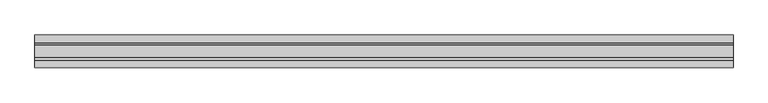
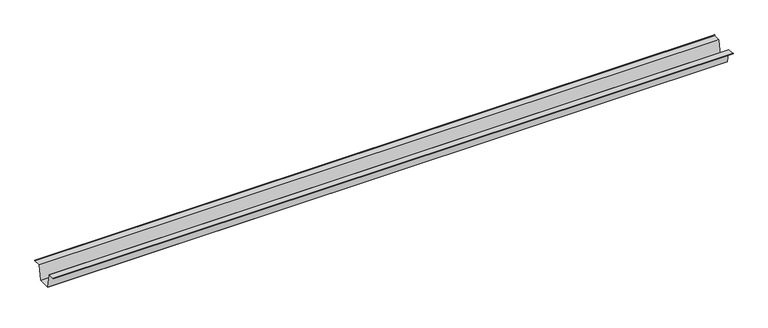
"""IFC4 building model written with IfcOpenShell, lengths in millimetres: furniture geometry."""

import ifcopenshell
import ifcopenshell.guid

model = None  # the IFC model being written
_history = None  # IfcOwnerHistory: only IFC2X3 demands one
_inside = {}  # id of a spatial element -> (the spatial element, [elements in it])
_under = {}  # id of a project, library or spatial element -> (it, [spatial elements below it])
_declared = {}  # id of a project -> (the project, [libraries it declares])
_typed = {}  # id of a type object -> (the type object, [elements of that type])
_made_of = {}  # id of a material, layer set ... -> (it, [elements and type objects made of it])


def new_model(schema):
    """Start an empty IFC model of exactly this schema.

    Asked for "IFC4X3", IfcOpenShell would pick the latest addendum, in which some entities
    have other attributes; the version numbers below select the first issue.
    IFC2X3 requires an IfcOwnerHistory on every rooted entity: one is made here for all.
    """
    global model, _history
    if schema == "IFC4X3":
        model = ifcopenshell.file(schema_version=(4, 3, 0, 0))
    else:
        model = ifcopenshell.file(schema=schema)
    _inside.clear()
    _under.clear()
    _declared.clear()
    _typed.clear()
    _made_of.clear()
    _history = None
    if model.schema == "IFC2X3":
        org = make("IfcOrganization", Name="unknown")
        user = make(
            "IfcPersonAndOrganization",
            ThePerson=make("IfcPerson", FamilyName="unknown"),
            TheOrganization=org,
        )
        app = make(
            "IfcApplication",
            ApplicationDeveloper=org,
            Version="unknown",
            ApplicationFullName="unknown",
            ApplicationIdentifier="unknown",
        )
        _history = make(
            "IfcOwnerHistory",
            OwningUser=user,
            OwningApplication=app,
            ChangeAction="ADDED",
            CreationDate=0,
        )
    return model


def make(cls, **values):
    """One entity of the class cls with the attributes given. An attribute that is None is left unset."""
    return model.create_entity(
        cls, **{name: value for name, value in values.items() if value is not None}
    )


def rooted(cls, **values):
    """An entity with a GlobalId (a new one), such as an element, a storey or a relation."""
    return make(cls, GlobalId=ifcopenshell.guid.new(), OwnerHistory=_history, **values)


def si_unit(unit_type, name, prefix=None):
    """IfcSIUnit, for example si_unit("LENGTHUNIT", "METRE", prefix="MILLI")."""
    return make("IfcSIUnit", UnitType=unit_type, Prefix=prefix, Name=name)


def assignment(units):
    """IfcUnitAssignment: the units of a project."""
    return None if units is None else make("IfcUnitAssignment", Units=units)


def point(xyz):
    """IfcCartesianPoint."""
    return None if xyz is None else make("IfcCartesianPoint", Coordinates=xyz)


def direction(xyz):
    """IfcDirection."""
    return None if xyz is None else make("IfcDirection", DirectionRatios=xyz)


def frame(location, z_axis=None, x_axis=None):
    """IfcAxis2Placement3D, a coordinate frame: its origin and axes. An axis left out is left unset."""
    return make(
        "IfcAxis2Placement3D",
        Location=point(location),
        Axis=direction(z_axis),
        RefDirection=direction(x_axis),
    )


def origin():
    """The frame at (0, 0, 0) with its axes left unset."""
    return frame((0.0, 0.0, 0.0))


def place(relative_to, where):
    """IfcLocalPlacement: puts the frame where relative to a parent placement (None: the world)."""
    return make(
        "IfcLocalPlacement", PlacementRelTo=relative_to, RelativePlacement=where
    )


def context(
    kind, dimensions, precision=None, world=None, true_north=None, identifier=None
):
    """IfcGeometricRepresentationContext, for example the 3D "Model" context."""
    return make(
        "IfcGeometricRepresentationContext",
        ContextIdentifier=identifier,
        ContextType=kind,
        CoordinateSpaceDimension=dimensions,
        Precision=precision,
        WorldCoordinateSystem=world,
        TrueNorth=true_north,
    )


def project(units=None, contexts=None):
    """IfcProject with its units and contexts."""
    return rooted(
        "IfcProject",
        Name="project",
        RepresentationContexts=contexts,
        UnitsInContext=assignment(units),
    )


def spatial(cls, under=None, at=None, **own):
    """A site, building, storey or space (cls), placed at a placement, below another one or the project."""
    s = rooted(cls, ObjectPlacement=at, **own)
    if under is not None:
        _under.setdefault(under.id(), (under, []))[1].append(s)
    return s


def point_list(points):
    """IfcCartesianPointList2D or 3D."""
    cls = (
        "IfcCartesianPointList2D" if len(points[0]) == 2 else "IfcCartesianPointList3D"
    )
    return make(cls, CoordList=points)


def triangles(points, corners, closed=None, point_numbers=None):
    """IfcTriangulatedFaceSet: each triangle names its three corners, points numbered from 1."""
    return make(
        "IfcTriangulatedFaceSet",
        Coordinates=point_list(points),
        Closed=closed,
        CoordIndex=corners,
        PnIndex=point_numbers,
    )


def shape(context_of_items, identifier, shape_type, items):
    """IfcShapeRepresentation: the items that make up one representation, for example the "Body"."""
    return make(
        "IfcShapeRepresentation",
        ContextOfItems=context_of_items,
        RepresentationIdentifier=identifier,
        RepresentationType=shape_type,
        Items=items,
    )


def source(mapping_origin, context_of_items, identifier, shape_type, items):
    """IfcRepresentationMap: a shape defined once, which mapped items show again and again."""
    return make(
        "IfcRepresentationMap",
        MappingOrigin=mapping_origin,
        MappedRepresentation=shape(context_of_items, identifier, shape_type, items),
    )


def transform(
    local_origin,
    x_axis=None,
    y_axis=None,
    z_axis=None,
    scale=None,
    scale2=None,
    scale3=None,
    uniform=True,
):
    """IfcCartesianTransformationOperator3D, or its non-uniform kind. x_axis, y_axis, z_axis: its Axis1, 2, 3."""
    if uniform:
        return make(
            "IfcCartesianTransformationOperator3D",
            Axis1=direction(x_axis),
            Axis2=direction(y_axis),
            LocalOrigin=point(local_origin),
            Scale=scale,
            Axis3=direction(z_axis),
        )
    return make(
        "IfcCartesianTransformationOperator3DnonUniform",
        Axis1=direction(x_axis),
        Axis2=direction(y_axis),
        LocalOrigin=point(local_origin),
        Scale=scale,
        Axis3=direction(z_axis),
        Scale2=scale2,
        Scale3=scale3,
    )


def mapped(mapping_source, mapping_target):
    """IfcMappedItem: shows the shape of a source again, moved by a transform."""
    return make(
        "IfcMappedItem", MappingSource=mapping_source, MappingTarget=mapping_target
    )


def made_of(thing, what):
    """Note that an element or type object is made of a material, layer set ...; save() writes the relation."""
    if what is not None:
        _made_of.setdefault(what.id(), (what, []))[1].append(thing)
    return thing


def element(
    cls,
    number,
    at=None,
    inside=None,
    cuts=None,
    type_object=None,
    material=None,
    context=None,
    identifier="Body",
    shape_type=None,
    held_by="IfcProductDefinitionShape",
    body=None,
    shapes=None,
    **own,
):
    """One element of the class cls, such as IfcWall. Its Tag is "e" and its number.

    at: its placement. inside: the storey or other place that contains it. cuts: it is an
    opening in that element (IfcRelVoidsElement). A single representation is given by context,
    identifier, shape_type and body (its items); several are given by shapes. held_by: the class
    of the entity that holds the representations. save() writes the other relations.
    """
    e = rooted(cls, Tag="e%d" % number, ObjectPlacement=at, **own)
    if body is not None:
        shapes = [shape(context, identifier, shape_type, body)]
    if shapes is not None:
        e.Representation = make(held_by, Representations=shapes)
    if inside is not None:
        _inside.setdefault(inside.id(), (inside, []))[1].append(e)
    if cuts is not None:
        rooted(
            "IfcRelVoidsElement", RelatingBuildingElement=cuts, RelatedOpeningElement=e
        )
    if type_object is not None:
        _typed.setdefault(type_object.id(), (type_object, []))[1].append(e)
    return made_of(e, material)


def aggregate(whole, parts):
    """IfcRelAggregates: a whole, such as a stair, and the parts it consists of."""
    return rooted("IfcRelAggregates", RelatingObject=whole, RelatedObjects=parts)


def save(model, path):
    """Write the relations noted so far, then the file.

    IfcRelAggregates (storeys below a building ...), IfcRelContainedInSpatialStructure (elements
    in a storey), IfcRelDefinesByType, IfcRelAssociatesMaterial and IfcRelDeclares: one each for
    every whole, place, type object, material and project.
    """
    for whole, parts in _under.values():
        aggregate(whole, parts)
    for where, things in _inside.values():
        rooted(
            "IfcRelContainedInSpatialStructure",
            RelatedElements=things,
            RelatingStructure=where,
        )
    for kind, things in _typed.values():
        rooted("IfcRelDefinesByType", RelatedObjects=things, RelatingType=kind)
    for what, things in _made_of.values():
        rooted("IfcRelAssociatesMaterial", RelatedObjects=things, RelatingMaterial=what)
    for by, libraries in _declared.values():
        rooted("IfcRelDeclares", RelatingContext=by, RelatedDefinitions=libraries)
    model.write(path)


def furniture_ae4f9b21(model_context):
    return source(origin(), model_context, "Body", "Tessellation", [
        triangles([(0.0, -18.2626003, -1.524), (0.0, -12.7000004, -32.9691994), (1457.9599903, -12.7000004, -32.9691994), (1457.9599903, -18.2626003, -1.524), (0.0, 12.7000004, -32.9691994), (0.0, 18.2626003, -1.524), (1457.9599903, 18.2626003, -1.524), (1457.9599903, 12.7000004, -32.9691994), (0.0, -34.1629992, 0.0), (0.0, -34.1629992, -1.524), (1457.9599903, -34.1629992, -1.524), (1457.9599903, -34.1629992, 0.0), (0.0, 34.1629992, -1.524), (0.0, 34.1629992, 0.0), (1457.9599903, 34.1629992, 0.0), (1457.9599903, 34.1629992, -1.524)], [[1, 2, 3], [1, 3, 4], [5, 6, 7], [5, 7, 8], [5, 8, 3], [5, 3, 2], [9, 10, 11], [9, 11, 12], [13, 14, 15], [13, 15, 16], [1, 4, 11], [1, 11, 10], [13, 16, 7], [13, 7, 6]], closed=False),
    ])


if __name__ == "__main__":
    model = new_model("IFC4")
    model_context = context("Model", 3, world=origin())
    ifc_project = project(units=[si_unit("LENGTHUNIT", "METRE", prefix="MILLI")], contexts=[model_context])
    site = spatial("IfcSite", under=ifc_project)
    building = spatial("IfcBuilding", under=site)
    placement = place(None, origin())
    furniture_shape = furniture_ae4f9b21(model_context)
    element("IfcFurniture", 1, at=placement, inside=building, context=model_context, shape_type="MappedRepresentation", body=[
        mapped(furniture_shape, transform((0.0, 0.0, 0.0), x_axis=(1.0, 0.0, 0.0), y_axis=(0.0, 1.0, 0.0), z_axis=(0.0, 0.0, 1.0))),
    ])
    save(model, "model.ifc")
